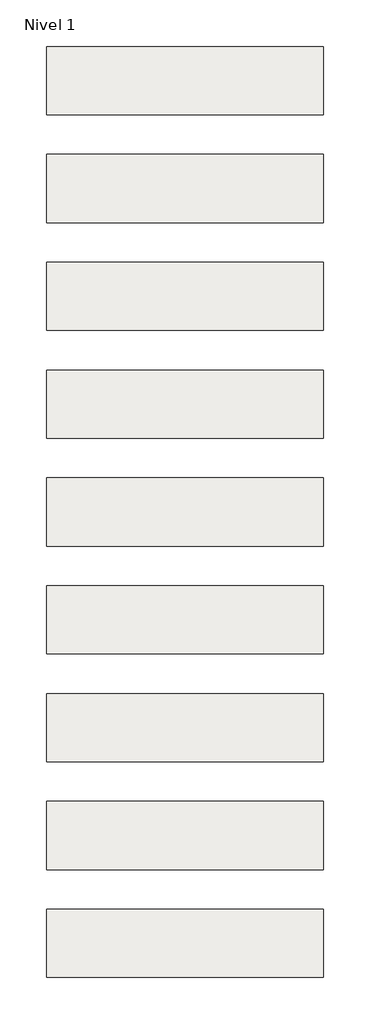
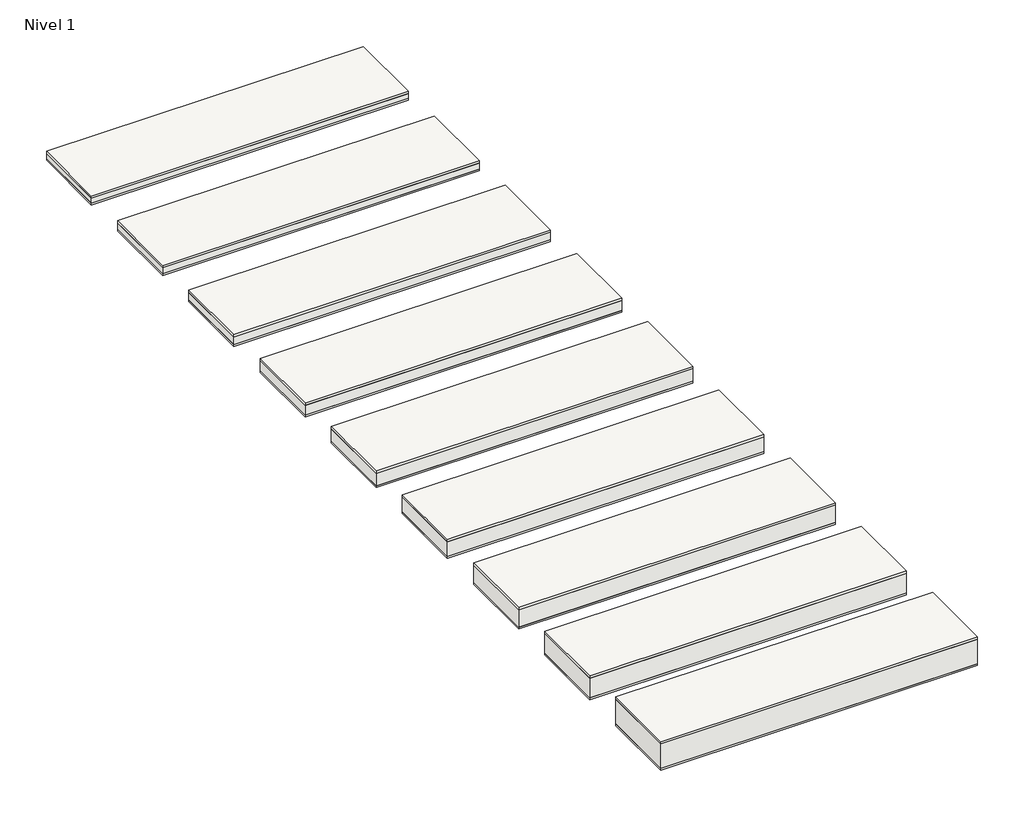
# One storey: 9 roofs.
"""IFC4 building model written with IfcOpenShell, lengths in millimetres."""

import ifcopenshell
import ifcopenshell.guid

model = None  # the IFC model being written
_history = None  # IfcOwnerHistory: only IFC2X3 demands one
_inside = {}  # id of a spatial element -> (the spatial element, [elements in it])
_under = {}  # id of a project, library or spatial element -> (it, [spatial elements below it])
_declared = {}  # id of a project -> (the project, [libraries it declares])
_typed = {}  # id of a type object -> (the type object, [elements of that type])
_made_of = {}  # id of a material, layer set ... -> (it, [elements and type objects made of it])


def new_model(schema):
    """Start an empty IFC model of exactly this schema.

    Asked for "IFC4X3", IfcOpenShell would pick the latest addendum, in which some entities
    have other attributes; the version numbers below select the first issue.
    IFC2X3 requires an IfcOwnerHistory on every rooted entity: one is made here for all.
    """
    global model, _history
    if schema == "IFC4X3":
        model = ifcopenshell.file(schema_version=(4, 3, 0, 0))
    else:
        model = ifcopenshell.file(schema=schema)
    _inside.clear()
    _under.clear()
    _declared.clear()
    _typed.clear()
    _made_of.clear()
    _history = None
    if model.schema == "IFC2X3":
        org = make("IfcOrganization", Name="unknown")
        user = make(
            "IfcPersonAndOrganization",
            ThePerson=make("IfcPerson", FamilyName="unknown"),
            TheOrganization=org,
        )
        app = make(
            "IfcApplication",
            ApplicationDeveloper=org,
            Version="unknown",
            ApplicationFullName="unknown",
            ApplicationIdentifier="unknown",
        )
        _history = make(
            "IfcOwnerHistory",
            OwningUser=user,
            OwningApplication=app,
            ChangeAction="ADDED",
            CreationDate=0,
        )
    return model


def make(cls, **values):
    """One entity of the class cls with the attributes given. An attribute that is None is left unset."""
    return model.create_entity(
        cls, **{name: value for name, value in values.items() if value is not None}
    )


def rooted(cls, **values):
    """An entity with a GlobalId (a new one), such as an element, a storey or a relation."""
    return make(cls, GlobalId=ifcopenshell.guid.new(), OwnerHistory=_history, **values)


def si_unit(unit_type, name, prefix=None):
    """IfcSIUnit, for example si_unit("LENGTHUNIT", "METRE", prefix="MILLI")."""
    return make("IfcSIUnit", UnitType=unit_type, Prefix=prefix, Name=name)


def assignment(units):
    """IfcUnitAssignment: the units of a project."""
    return None if units is None else make("IfcUnitAssignment", Units=units)


def point(xyz):
    """IfcCartesianPoint."""
    return None if xyz is None else make("IfcCartesianPoint", Coordinates=xyz)


def direction(xyz):
    """IfcDirection."""
    return None if xyz is None else make("IfcDirection", DirectionRatios=xyz)


def frame(location, z_axis=None, x_axis=None):
    """IfcAxis2Placement3D, a coordinate frame: its origin and axes. An axis left out is left unset."""
    return make(
        "IfcAxis2Placement3D",
        Location=point(location),
        Axis=direction(z_axis),
        RefDirection=direction(x_axis),
    )


def origin():
    """The frame at (0, 0, 0) with its axes left unset."""
    return frame((0.0, 0.0, 0.0))


def origin_with_axes():
    """The frame at (0, 0, 0) with the z axis (0, 0, 1) and the x axis (1, 0, 0) written out."""
    return frame((0.0, 0.0, 0.0), z_axis=(0.0, 0.0, 1.0), x_axis=(1.0, 0.0, 0.0))


def place(relative_to, where):
    """IfcLocalPlacement: puts the frame where relative to a parent placement (None: the world)."""
    return make(
        "IfcLocalPlacement", PlacementRelTo=relative_to, RelativePlacement=where
    )


def context(
    kind, dimensions, precision=None, world=None, true_north=None, identifier=None
):
    """IfcGeometricRepresentationContext, for example the 3D "Model" context."""
    return make(
        "IfcGeometricRepresentationContext",
        ContextIdentifier=identifier,
        ContextType=kind,
        CoordinateSpaceDimension=dimensions,
        Precision=precision,
        WorldCoordinateSystem=world,
        TrueNorth=true_north,
    )


def project(units=None, contexts=None):
    """IfcProject with its units and contexts."""
    return rooted(
        "IfcProject",
        Name="project",
        RepresentationContexts=contexts,
        UnitsInContext=assignment(units),
    )


def spatial(cls, under=None, at=None, **own):
    """A site, building, storey or space (cls), placed at a placement, below another one or the project."""
    s = rooted(cls, ObjectPlacement=at, **own)
    if under is not None:
        _under.setdefault(under.id(), (under, []))[1].append(s)
    return s


def polyline(points):
    """IfcPolyline through the points."""
    return make("IfcPolyline", Points=[point(p) for p in points])


def outline(outer, holes=None, kind="AREA"):
    """IfcArbitraryClosedProfileDef: a profile drawn as a closed curve; with holes, ...WithVoids."""
    if holes is None:
        return make("IfcArbitraryClosedProfileDef", ProfileType=kind, OuterCurve=outer)
    return make(
        "IfcArbitraryProfileDefWithVoids",
        ProfileType=kind,
        OuterCurve=outer,
        InnerCurves=holes,
    )


def extrude(swept, where, along, depth):
    """IfcExtrudedAreaSolid: the profile swept, set in the frame where, extruded along a direction by depth."""
    return make(
        "IfcExtrudedAreaSolid",
        SweptArea=swept,
        Position=where,
        ExtrudedDirection=direction(along),
        Depth=depth,
    )


def shape(context_of_items, identifier, shape_type, items):
    """IfcShapeRepresentation: the items that make up one representation, for example the "Body"."""
    return make(
        "IfcShapeRepresentation",
        ContextOfItems=context_of_items,
        RepresentationIdentifier=identifier,
        RepresentationType=shape_type,
        Items=items,
    )


def made_of(thing, what):
    """Note that an element or type object is made of a material, layer set ...; save() writes the relation."""
    if what is not None:
        _made_of.setdefault(what.id(), (what, []))[1].append(thing)
    return thing


def element(
    cls,
    number,
    at=None,
    inside=None,
    cuts=None,
    type_object=None,
    material=None,
    context=None,
    identifier="Body",
    shape_type=None,
    held_by="IfcProductDefinitionShape",
    body=None,
    shapes=None,
    **own,
):
    """One element of the class cls, such as IfcWall. Its Tag is "e" and its number.

    at: its placement. inside: the storey or other place that contains it. cuts: it is an
    opening in that element (IfcRelVoidsElement). A single representation is given by context,
    identifier, shape_type and body (its items); several are given by shapes. held_by: the class
    of the entity that holds the representations. save() writes the other relations.
    """
    e = rooted(cls, Tag="e%d" % number, ObjectPlacement=at, **own)
    if body is not None:
        shapes = [shape(context, identifier, shape_type, body)]
    if shapes is not None:
        e.Representation = make(held_by, Representations=shapes)
    if inside is not None:
        _inside.setdefault(inside.id(), (inside, []))[1].append(e)
    if cuts is not None:
        rooted(
            "IfcRelVoidsElement", RelatingBuildingElement=cuts, RelatedOpeningElement=e
        )
    if type_object is not None:
        _typed.setdefault(type_object.id(), (type_object, []))[1].append(e)
    return made_of(e, material)


def aggregate(whole, parts):
    """IfcRelAggregates: a whole, such as a stair, and the parts it consists of."""
    return rooted("IfcRelAggregates", RelatingObject=whole, RelatedObjects=parts)


def save(model, path):
    """Write the relations noted so far, then the file.

    IfcRelAggregates (storeys below a building ...), IfcRelContainedInSpatialStructure (elements
    in a storey), IfcRelDefinesByType, IfcRelAssociatesMaterial and IfcRelDeclares: one each for
    every whole, place, type object, material and project.
    """
    for whole, parts in _under.values():
        aggregate(whole, parts)
    for where, things in _inside.values():
        rooted(
            "IfcRelContainedInSpatialStructure",
            RelatedElements=things,
            RelatingStructure=where,
        )
    for kind, things in _typed.values():
        rooted("IfcRelDefinesByType", RelatedObjects=things, RelatingType=kind)
    for what, things in _made_of.values():
        rooted("IfcRelAssociatesMaterial", RelatedObjects=things, RelatingMaterial=what)
    for by, libraries in _declared.values():
        rooted("IfcRelDeclares", RelatingContext=by, RelatedDefinitions=libraries)
    model.write(path)


model = new_model("IFC4")

# Units and contexts
model_context = context("Model", 3, world=origin())
ifc_project = project(units=[si_unit("LENGTHUNIT", "METRE", prefix="MILLI")], contexts=[model_context])

# Site, building, storey
site = spatial("IfcSite", under=ifc_project)
building = spatial("IfcBuilding", under=site)
storey = spatial("IfcBuildingStorey", under=building, Name="Nivel 1", Elevation=0.0)

# Roofs
placement = place(None, origin())
element("IfcRoof", 1, at=placement, inside=storey, context=model_context, shape_type="SweptSolid", body=[
    extrude(outline(polyline([(-3824.6699095, -6894.5376473), (-1384.6699095, -6894.5376473), (-1384.6699095, -7494.5376473), (-3824.6699095, -7494.5376473), (-3824.6699095, -6894.5376473)])), frame((0.0, 0.0, 65.0), z_axis=(0.0, 0.0, 1.0), x_axis=(1.0, 0.0, 0.0)), (0.0, 0.0, 1.0), 19.0),
    extrude(outline(polyline([(-3824.6699095, -6894.5376473), (-1384.6699095, -6894.5376473), (-1384.6699095, -7494.5376473), (-3824.6699095, -7494.5376473), (-3824.6699095, -6894.5376473)])), frame((0.0, 0.0, 15.0), z_axis=(0.0, 0.0, 1.0), x_axis=(1.0, 0.0, 0.0)), (0.0, 0.0, 1.0), 50.0),
    extrude(outline(polyline([(-3824.6699095, -6894.5376473), (-1384.6699095, -6894.5376473), (-1384.6699095, -7494.5376473), (-3824.6699095, -7494.5376473), (-3824.6699095, -6894.5376473)])), origin_with_axes(), (0.0, 0.0, 1.0), 15.0),
])
element("IfcRoof", 2, at=placement, inside=storey, context=model_context, shape_type="SweptSolid", body=[
    extrude(outline(polyline([(-3824.6699095, -5944.5376473), (-1384.6699095, -5944.5376473), (-1384.6699095, -6544.5376473), (-3824.6699095, -6544.5376473), (-3824.6699095, -5944.5376473)])), frame((0.0, 0.0, 55.0), z_axis=(0.0, 0.0, 1.0), x_axis=(1.0, 0.0, 0.0)), (0.0, 0.0, 1.0), 19.0),
    extrude(outline(polyline([(-3824.6699095, -5944.5376473), (-1384.6699095, -5944.5376473), (-1384.6699095, -6544.5376473), (-3824.6699095, -6544.5376473), (-3824.6699095, -5944.5376473)])), frame((0.0, 0.0, 15.0), z_axis=(0.0, 0.0, 1.0), x_axis=(1.0, 0.0, 0.0)), (0.0, 0.0, 1.0), 40.0),
    extrude(outline(polyline([(-3824.6699095, -5944.5376473), (-1384.6699095, -5944.5376473), (-1384.6699095, -6544.5376473), (-3824.6699095, -6544.5376473), (-3824.6699095, -5944.5376473)])), origin_with_axes(), (0.0, 0.0, 1.0), 15.0),
])
element("IfcRoof", 3, at=placement, inside=storey, context=model_context, shape_type="SweptSolid", body=[
    extrude(outline(polyline([(-3824.6699095, -7844.5376473), (-1384.6699095, -7844.5376473), (-1384.6699095, -8444.5376473), (-3824.6699095, -8444.5376473), (-3824.6699095, -7844.5376473)])), frame((0.0, 0.0, 75.0), z_axis=(0.0, 0.0, 1.0), x_axis=(1.0, 0.0, 0.0)), (0.0, 0.0, 1.0), 19.0),
    extrude(outline(polyline([(-3824.6699095, -7844.5376473), (-1384.6699095, -7844.5376473), (-1384.6699095, -8444.5376473), (-3824.6699095, -8444.5376473), (-3824.6699095, -7844.5376473)])), frame((0.0, 0.0, 15.0), z_axis=(0.0, 0.0, 1.0), x_axis=(1.0, 0.0, 0.0)), (0.0, 0.0, 1.0), 60.0),
    extrude(outline(polyline([(-3824.6699095, -7844.5376473), (-1384.6699095, -7844.5376473), (-1384.6699095, -8444.5376473), (-3824.6699095, -8444.5376473), (-3824.6699095, -7844.5376473)])), origin_with_axes(), (0.0, 0.0, 1.0), 15.0),
])
element("IfcRoof", 4, at=placement, inside=storey, context=model_context, shape_type="SweptSolid", body=[
    extrude(outline(polyline([(-3824.6699095, -8794.5376473), (-1384.6699095, -8794.5376473), (-1384.6699095, -9394.5376473), (-3824.6699095, -9394.5376473), (-3824.6699095, -8794.5376473)])), frame((0.0, 0.0, 95.0), z_axis=(0.0, 0.0, 1.0), x_axis=(1.0, 0.0, 0.0)), (0.0, 0.0, 1.0), 19.0),
    extrude(outline(polyline([(-3824.6699095, -8794.5376473), (-1384.6699095, -8794.5376473), (-1384.6699095, -9394.5376473), (-3824.6699095, -9394.5376473), (-3824.6699095, -8794.5376473)])), frame((0.0, 0.0, 15.0), z_axis=(0.0, 0.0, 1.0), x_axis=(1.0, 0.0, 0.0)), (0.0, 0.0, 1.0), 80.0),
    extrude(outline(polyline([(-3824.6699095, -8794.5376473), (-1384.6699095, -8794.5376473), (-1384.6699095, -9394.5376473), (-3824.6699095, -9394.5376473), (-3824.6699095, -8794.5376473)])), origin_with_axes(), (0.0, 0.0, 1.0), 15.0),
])
element("IfcRoof", 5, at=placement, inside=storey, context=model_context, shape_type="SweptSolid", body=[
    extrude(outline(polyline([(-3824.6699095, -9744.5376473), (-1384.6699095, -9744.5376473), (-1384.6699095, -10344.5376473), (-3824.6699095, -10344.5376473), (-3824.6699095, -9744.5376473)])), frame((0.0, 0.0, 115.0), z_axis=(0.0, 0.0, 1.0), x_axis=(1.0, 0.0, 0.0)), (0.0, 0.0, 1.0), 19.0),
    extrude(outline(polyline([(-3824.6699095, -9744.5376473), (-1384.6699095, -9744.5376473), (-1384.6699095, -10344.5376473), (-3824.6699095, -10344.5376473), (-3824.6699095, -9744.5376473)])), frame((0.0, 0.0, 15.0), z_axis=(0.0, 0.0, 1.0), x_axis=(1.0, 0.0, 0.0)), (0.0, 0.0, 1.0), 100.0),
    extrude(outline(polyline([(-3824.6699095, -9744.5376473), (-1384.6699095, -9744.5376473), (-1384.6699095, -10344.5376473), (-3824.6699095, -10344.5376473), (-3824.6699095, -9744.5376473)])), origin_with_axes(), (0.0, 0.0, 1.0), 15.0),
])
element("IfcRoof", 6, at=placement, inside=storey, context=model_context, shape_type="SweptSolid", body=[
    extrude(outline(polyline([(-3824.6699095, -10694.5376473), (-1384.6699095, -10694.5376473), (-1384.6699095, -11294.5376473), (-3824.6699095, -11294.5376473), (-3824.6699095, -10694.5376473)])), frame((0.0, 0.0, 135.0), z_axis=(0.0, 0.0, 1.0), x_axis=(1.0, 0.0, 0.0)), (0.0, 0.0, 1.0), 19.0),
    extrude(outline(polyline([(-3824.6699095, -10694.5376473), (-1384.6699095, -10694.5376473), (-1384.6699095, -11294.5376473), (-3824.6699095, -11294.5376473), (-3824.6699095, -10694.5376473)])), frame((0.0, 0.0, 15.0), z_axis=(0.0, 0.0, 1.0), x_axis=(1.0, 0.0, 0.0)), (0.0, 0.0, 1.0), 120.0),
    extrude(outline(polyline([(-3824.6699095, -10694.5376473), (-1384.6699095, -10694.5376473), (-1384.6699095, -11294.5376473), (-3824.6699095, -11294.5376473), (-3824.6699095, -10694.5376473)])), origin_with_axes(), (0.0, 0.0, 1.0), 15.0),
])
element("IfcRoof", 7, at=placement, inside=storey, context=model_context, shape_type="SweptSolid", body=[
    extrude(outline(polyline([(-3824.6699095, -11644.5376473), (-1384.6699095, -11644.5376473), (-1384.6699095, -12244.5376473), (-3824.6699095, -12244.5376473), (-3824.6699095, -11644.5376473)])), frame((0.0, 0.0, 155.0), z_axis=(0.0, 0.0, 1.0), x_axis=(1.0, 0.0, 0.0)), (0.0, 0.0, 1.0), 19.0),
    extrude(outline(polyline([(-3824.6699095, -11644.5376473), (-1384.6699095, -11644.5376473), (-1384.6699095, -12244.5376473), (-3824.6699095, -12244.5376473), (-3824.6699095, -11644.5376473)])), frame((0.0, 0.0, 15.0), z_axis=(0.0, 0.0, 1.0), x_axis=(1.0, 0.0, 0.0)), (0.0, 0.0, 1.0), 140.0),
    extrude(outline(polyline([(-3824.6699095, -11644.5376473), (-1384.6699095, -11644.5376473), (-1384.6699095, -12244.5376473), (-3824.6699095, -12244.5376473), (-3824.6699095, -11644.5376473)])), origin_with_axes(), (0.0, 0.0, 1.0), 15.0),
])
element("IfcRoof", 8, at=placement, inside=storey, context=model_context, shape_type="SweptSolid", body=[
    extrude(outline(polyline([(-3824.6699095, -12594.5376473), (-1384.6699095, -12594.5376473), (-1384.6699095, -13194.5376473), (-3824.6699095, -13194.5376473), (-3824.6699095, -12594.5376473)])), frame((0.0, 0.0, 175.0), z_axis=(0.0, 0.0, 1.0), x_axis=(1.0, 0.0, 0.0)), (0.0, 0.0, 1.0), 19.0),
    extrude(outline(polyline([(-3824.6699095, -12594.5376473), (-1384.6699095, -12594.5376473), (-1384.6699095, -13194.5376473), (-3824.6699095, -13194.5376473), (-3824.6699095, -12594.5376473)])), frame((0.0, 0.0, 15.0), z_axis=(0.0, 0.0, 1.0), x_axis=(1.0, 0.0, 0.0)), (0.0, 0.0, 1.0), 160.0),
    extrude(outline(polyline([(-3824.6699095, -12594.5376473), (-1384.6699095, -12594.5376473), (-1384.6699095, -13194.5376473), (-3824.6699095, -13194.5376473), (-3824.6699095, -12594.5376473)])), origin_with_axes(), (0.0, 0.0, 1.0), 15.0),
])
element("IfcRoof", 9, at=placement, inside=storey, context=model_context, shape_type="SweptSolid", body=[
    extrude(outline(polyline([(-3824.6699095, -13544.5376473), (-1384.6699095, -13544.5376473), (-1384.6699095, -14144.5376473), (-3824.6699095, -14144.5376473), (-3824.6699095, -13544.5376473)])), frame((0.0, 0.0, 215.0), z_axis=(0.0, 0.0, 1.0), x_axis=(1.0, 0.0, 0.0)), (0.0, 0.0, 1.0), 19.0),
    extrude(outline(polyline([(-3824.6699095, -13544.5376473), (-1384.6699095, -13544.5376473), (-1384.6699095, -14144.5376473), (-3824.6699095, -14144.5376473), (-3824.6699095, -13544.5376473)])), frame((0.0, 0.0, 15.0), z_axis=(0.0, 0.0, 1.0), x_axis=(1.0, 0.0, 0.0)), (0.0, 0.0, 1.0), 200.0),
    extrude(outline(polyline([(-3824.6699095, -13544.5376473), (-1384.6699095, -13544.5376473), (-1384.6699095, -14144.5376473), (-3824.6699095, -14144.5376473), (-3824.6699095, -13544.5376473)])), origin_with_axes(), (0.0, 0.0, 1.0), 15.0),
])

save(model, "model.ifc")
